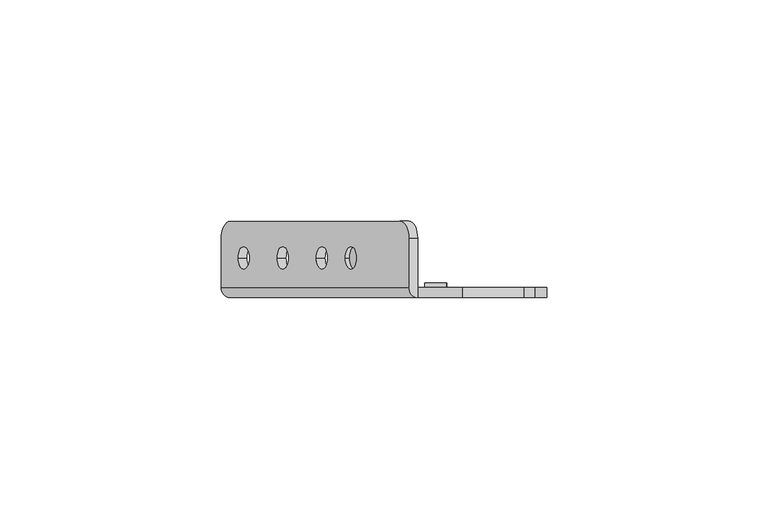
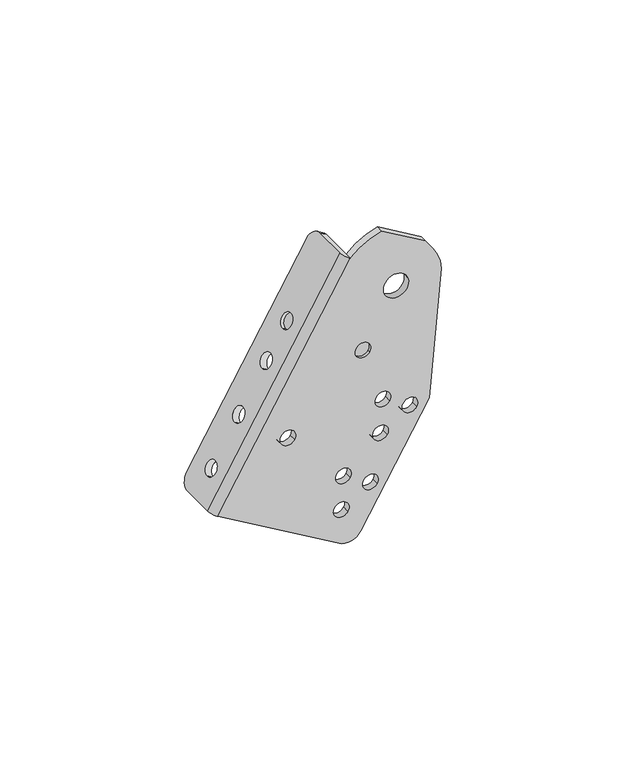
"""IFC4 building model written with IfcOpenShell, lengths in millimetres: proxy geometry."""

from ifc_helpers import new_model, si_unit, frame, origin, place, context, project, spatial, polyline, circle_curve, source, transform, mapped, element, save
from ifc_brep_helpers import plane_surface, cylinder_surface, revolved_surface, advanced_brep


def mechanical_equipment_ccd4f69e(model_context):
    return source(origin(), model_context, "Body", "AdvancedBrep", [
        advanced_brep(
        [(-39.288757, 12.2834534, -6.9451894), (-41.2899886, 16.2499985, -10.3698867), (-79.6435431, 16.2499985, -76.0041291), (-81.6614031, 12.196215, -79.4572825), (-81.6614031, 1.2499985, -79.4572825), (-39.2810827, 1.2499985, -6.9320562), (-77.8774459, 7.953236, -72.9818159), (-75.3548078, 7.953236, -68.6648381), (-69.0482125, 7.953236, -57.8723937), (-66.5255743, 7.953236, -53.555416), (-60.218979, 7.953236, -42.7629716), (-57.6963409, 7.953236, -38.4459938), (-53.6601199, 7.9499985, -31.5388294), (-51.1374818, 7.9499985, -27.2218517), (-79.6755933, 12.196215, -80.617696), (-77.6577334, 16.1957184, -77.1645426), (-39.3041788, 16.2499985, -11.5303003), (-37.3029473, 12.2834534, -8.1056029), (-37.2952729, 1.2499985, -8.0924698), (-79.6755933, 1.2499985, -80.617696), (-75.8916361, 7.953236, -74.1422294), (-73.368998, 7.953236, -69.8252516), (-67.0624027, 7.953236, -59.0328073), (-64.5397646, 7.953236, -54.7158295), (-58.2331693, 7.953236, -43.9233851), (-55.7105312, 7.953236, -39.6064074), (-49.1516721, 7.9499985, -28.3822652), (-51.6743102, 7.9499985, -32.699243), (-37.2952729, -1.0500015, -8.0924698), (-40.8227935, 1.2499985, -103.3214391), (-40.8227935, -1.0500015, -103.3214391), (-79.6755933, -1.0500015, -80.617696), (-52.7967244, 7.9499985, -32.0433571), (-50.2740863, 7.9499985, -27.7263793), (-33.9831776, -1.0500015, -101.5270995), (-12.0786718, -1.0500015, -64.0420304), (-8.1445975, -1.0500015, -21.633997), (-10.7000525, -1.0500015, -14.2038754), (-13.2035579, -1.0500015, -10.5883544), (-27.162666, -1.0500015, -2.4313102), (-18.7520701, -1.0500015, -21.4433967), (-26.4902121, -1.0500015, -23.4734603), (-59.3967581, -1.0500015, -60.6167041), (-55.0797803, -1.0500015, -63.1393422), (-28.9826359, -1.0500015, -58.1204725), (-24.6656582, -1.0500015, -60.6431106), (-20.3486804, -1.0500015, -63.1657488), (-16.0317026, -1.0500015, -65.6883869), (-29.7109344, -1.0500015, -69.2770662), (-25.3939566, -1.0500015, -71.7997043), (-41.5958265, -1.0500015, -79.7053613), (-37.2788487, -1.0500015, -82.2279994), (-32.961871, -1.0500015, -84.7506375), (-28.6448932, -1.0500015, -87.2732757), (-42.324125, -1.0500015, -90.8619549), (-38.0071472, -1.0500015, -93.384593), (-35.3747101, -1.0500015, -39.328416), (-31.0577323, -1.0500015, -41.8510541), (-27.162666, 1.2499985, -2.4313102), (-13.2035579, 1.2499985, -10.5883544), (-10.7000525, 1.2499985, -14.2038754), (-8.1445975, 1.2499985, -21.633997), (-12.0786718, 1.2499985, -64.0420304), (-33.9831776, 1.2499985, -101.5270995), (-18.7520701, 1.2499985, -21.4433967), (-26.4902121, 1.2499985, -23.4734603), (-59.3967581, 1.2499985, -60.6167041), (-55.0797803, 1.2499985, -63.1393422), (-28.9826359, 1.2499985, -58.1204725), (-24.6656582, 1.2499985, -60.6431106), (-20.3486804, 1.2499985, -63.1657488), (-16.0317026, 1.2499985, -65.6883869), (-29.7109344, 1.2499985, -69.2770662), (-25.3939566, 1.2499985, -71.7997043), (-41.5958265, 1.2499985, -79.7053613), (-37.2788487, 1.2499985, -82.2279994), (-32.961871, 1.2499985, -84.7506375), (-28.6448932, 1.2499985, -87.2732757), (-42.324125, 1.2499985, -90.8619549), (-38.0071472, 1.2499985, -93.384593), (-30.7980518, 1.2499985, -39.9553402), (-35.3747101, 1.2499985, -39.328416), (-35.6343906, 1.2499985, -41.2241299), (-31.0577323, 1.2499985, -41.8510541), (-30.7980518, -0.0500015, -39.9553402), (-35.3747101, -0.0500015, -39.328416), (-35.6343906, -0.0500015, -41.2241299), (-31.0577323, -0.0500015, -41.8510541), (-30.7980518, 2.2499985, -39.9553402), (-35.6343906, 2.2499985, -41.2241299), (-50.8109146, 7.9499985, -33.2037706), (-48.2882765, 7.9499985, -28.8867928)],
        [
            (0, 1, circle_curve(frame((-41.2899886, 12.2834534, -10.3698867), z_axis=(-0.8633955506067709, 0.0, 0.5045276238150207), x_axis=(-0.5045276238150207, 0.0, -0.8633955506067709)), 3.9665451)),
            (1, 2),
            (2, 3, circle_curve(frame((-79.6435431, 12.196215, -76.0041291), z_axis=(-0.8633955506067709, 0.0, 0.5045276238150207), x_axis=(-0.5045276238150207, 0.0, -0.8633955506067709)), 3.9995034)),
            (3, 4),
            (4, 5),
            (5, 0),
            (6, 7, circle_curve(frame((-76.6161268, 7.953236, -70.823327), z_axis=(0.8633955506067708, 0.0, -0.5045276238150208), x_axis=(0.5045276238150208, 0.0, 0.8633955506067708)), 2.5)),
            (7, 6, circle_curve(frame((-76.6161268, 7.953236, -70.823327), z_axis=(0.8633955506067708, 0.0, -0.5045276238150208), x_axis=(0.5045276238150208, 0.0, 0.8633955506067708)), 2.5)),
            (8, 9, circle_curve(frame((-67.7868934, 7.953236, -55.7139048), z_axis=(0.8633955506067708, 0.0, -0.5045276238150208), x_axis=(0.5045276238150208, 0.0, 0.8633955506067708)), 2.5)),
            (9, 8, circle_curve(frame((-67.7868934, 7.953236, -55.7139048), z_axis=(0.8633955506067708, 0.0, -0.5045276238150208), x_axis=(0.5045276238150208, 0.0, 0.8633955506067708)), 2.5)),
            (10, 11, circle_curve(frame((-58.95766, 7.953236, -40.6044827), z_axis=(0.8633955506067708, 0.0, -0.5045276238150208), x_axis=(0.5045276238150208, 0.0, 0.8633955506067708)), 2.5)),
            (11, 10, circle_curve(frame((-58.95766, 7.953236, -40.6044827), z_axis=(0.8633955506067708, 0.0, -0.5045276238150208), x_axis=(0.5045276238150208, 0.0, 0.8633955506067708)), 2.5)),
            (12, 13, circle_curve(frame((-52.3988009, 7.9499985, -29.3803406), z_axis=(0.8633955506067708, 0.0, -0.5045276238150208), x_axis=(0.5045276238150208, 0.0, 0.8633955506067708)), 2.5)),
            (13, 12, circle_curve(frame((-52.3988009, 7.9499985, -29.3803406), z_axis=(0.8633955506067708, 0.0, -0.5045276238150208), x_axis=(0.5045276238150208, 0.0, 0.8633955506067708)), 2.5)),
            (14, 15, circle_curve(frame((-77.6577334, 12.196215, -77.1645426), z_axis=(0.8633955506067709, 0.0, -0.5045276238150207), x_axis=(-0.5045276238150207, 0.0, -0.8633955506067709)), 3.9995034)),
            (15, 16),
            (16, 17, circle_curve(frame((-39.3041788, 12.2834534, -11.5303003), z_axis=(0.8633955506067709, 0.0, -0.5045276238150207), x_axis=(-0.5045276238150207, 0.0, -0.8633955506067709)), 3.9665451)),
            (17, 18),
            (18, 19),
            (19, 14),
            (20, 21, circle_curve(frame((-74.6303171, 7.953236, -71.9837405), z_axis=(-0.8633955506067708, 0.0, 0.5045276238150208), x_axis=(0.5045276238150208, 0.0, 0.8633955506067708)), 2.5)),
            (21, 20, circle_curve(frame((-74.6303171, 7.953236, -71.9837405), z_axis=(-0.8633955506067708, 0.0, 0.5045276238150208), x_axis=(0.5045276238150208, 0.0, 0.8633955506067708)), 2.5)),
            (22, 23, circle_curve(frame((-65.8010836, 7.953236, -56.8743184), z_axis=(-0.8633955506067708, 0.0, 0.5045276238150208), x_axis=(0.5045276238150208, 0.0, 0.8633955506067708)), 2.5)),
            (23, 22, circle_curve(frame((-65.8010836, 7.953236, -56.8743184), z_axis=(-0.8633955506067708, 0.0, 0.5045276238150208), x_axis=(0.5045276238150208, 0.0, 0.8633955506067708)), 2.5)),
            (24, 25, circle_curve(frame((-56.9718502, 7.953236, -41.7648962), z_axis=(-0.8633955506067708, 0.0, 0.5045276238150208), x_axis=(0.5045276238150208, 0.0, 0.8633955506067708)), 2.5)),
            (25, 24, circle_curve(frame((-56.9718502, 7.953236, -41.7648962), z_axis=(-0.8633955506067708, 0.0, 0.5045276238150208), x_axis=(0.5045276238150208, 0.0, 0.8633955506067708)), 2.5)),
            (26, 27, circle_curve(frame((-50.4129911, 7.9499985, -30.5407541), z_axis=(-0.8633955506067713, 0.0, 0.5045276238150199), x_axis=(0.5045276238150199, 0.0, 0.8633955506067713)), 2.5)),
            (27, 26, circle_curve(frame((-50.4129911, 7.9499985, -30.5407541), z_axis=(-0.8633955506067713, 0.0, 0.5045276238150199), x_axis=(0.5045276238150199, 0.0, 0.8633955506067713)), 2.5)),
            (17, 0),
            (5, 28, circle_curve(frame((-37.2952729, 1.2499985, -8.0924698), z_axis=(0.5045276238150207, 0.0, 0.8633955506067709), x_axis=(0.0, -1.0, 0.0)), 2.3)),
            (28, 18),
            (16, 1),
            (15, 2),
            (14, 3),
            (19, 29),
            (29, 30),
            (30, 31),
            (31, 4, circle_curve(frame((-79.6755933, 1.2499985, -80.617696), z_axis=(-0.5045276238150207, 0.0, -0.8633955506067709), x_axis=(0.0, -1.0, 0.0)), 2.3)),
            (6, 20),
            (21, 7),
            (8, 22),
            (23, 9),
            (10, 24),
            (25, 11),
            (12, 32),
            (32, 33, circle_curve(frame((-51.5354053, 7.9499985, -29.8848682), z_axis=(0.8633955506067708, 0.0, -0.5045276238150208), x_axis=(0.5045276238150208, 0.0, 0.8633955506067708)), 2.5)),
            (33, 13),
            (33, 32, circle_curve(frame((-51.5354053, 7.9499985, -29.8848682), z_axis=(0.8633955506067708, 0.0, -0.5045276238150208), x_axis=(0.5045276238150208, 0.0, 0.8633955506067708)), 2.5)),
            (30, 34, circle_curve(frame((-38.3001554, -1.0500015, -99.0044613), z_axis=(0.0, -1.0, 0.0), x_axis=(0.9672677527758777, 0.0, 0.2537579445848028)), 5.0)),
            (34, 35),
            (35, 36),
            (36, 37, circle_curve(frame((-22.6211411, -1.0500015, -22.4584285), z_axis=(0.0, -1.0, 0.0), x_axis=(0.9672677527758777, 0.0, 0.2537579445848028)), 14.5)),
            (37, 38),
            (38, 39),
            (39, 28, circle_curve(frame((-22.6211411, -1.0500015, -22.4584285), z_axis=(0.0, -1.0, 0.0), x_axis=(0.9672677527758777, 0.0, 0.2537579445848028)), 20.5356012)),
            (28, 31),
            (40, 41, circle_curve(frame((-22.6211411, -1.0500015, -22.4584285), z_axis=(0.0, 1.0, 0.0), x_axis=(0.9672677527758777, 0.0, 0.2537579445848028)), 4.0)),
            (41, 40, circle_curve(frame((-22.6211411, -1.0500015, -22.4584285), z_axis=(0.0, 1.0, 0.0), x_axis=(0.9672677527758777, 0.0, 0.2537579445848028)), 4.0)),
            (42, 43, circle_curve(frame((-57.2382692, -1.0500015, -61.8780231), z_axis=(0.0, 1.0, 0.0), x_axis=(0.8633955506067713, 0.0, -0.5045276238150199)), 2.5)),
            (43, 42, circle_curve(frame((-57.2382692, -1.0500015, -61.8780231), z_axis=(0.0, 1.0, 0.0), x_axis=(0.8633955506067713, 0.0, -0.5045276238150199)), 2.5)),
            (44, 45, circle_curve(frame((-26.824147, -1.0500015, -59.3817916), z_axis=(0.0, 1.0, 0.0), x_axis=(0.8633955506067713, 0.0, -0.5045276238150199)), 2.5)),
            (45, 44, circle_curve(frame((-26.824147, -1.0500015, -59.3817916), z_axis=(0.0, 1.0, 0.0), x_axis=(0.8633955506067713, 0.0, -0.5045276238150199)), 2.5)),
            (46, 47, circle_curve(frame((-18.1901915, -1.0500015, -64.4270678), z_axis=(0.0, 1.0, 0.0), x_axis=(0.8633955506067713, 0.0, -0.5045276238150199)), 2.5)),
            (47, 46, circle_curve(frame((-18.1901915, -1.0500015, -64.4270678), z_axis=(0.0, 1.0, 0.0), x_axis=(0.8633955506067713, 0.0, -0.5045276238150199)), 2.5)),
            (48, 49, circle_curve(frame((-27.5524455, -1.0500015, -70.5383852), z_axis=(0.0, 1.0, 0.0), x_axis=(0.8633955506067713, 0.0, -0.5045276238150199)), 2.5)),
            (49, 48, circle_curve(frame((-27.5524455, -1.0500015, -70.5383852), z_axis=(0.0, 1.0, 0.0), x_axis=(0.8633955506067713, 0.0, -0.5045276238150199)), 2.5)),
            (50, 51, circle_curve(frame((-39.4373376, -1.0500015, -80.9666804), z_axis=(0.0, 1.0, 0.0), x_axis=(0.8633955506067713, 0.0, -0.5045276238150199)), 2.5)),
            (51, 50, circle_curve(frame((-39.4373376, -1.0500015, -80.9666804), z_axis=(0.0, 1.0, 0.0), x_axis=(0.8633955506067713, 0.0, -0.5045276238150199)), 2.5)),
            (52, 53, circle_curve(frame((-30.8033821, -1.0500015, -86.0119566), z_axis=(0.0, 1.0, 0.0), x_axis=(0.8633955506067713, 0.0, -0.5045276238150199)), 2.5)),
            (53, 52, circle_curve(frame((-30.8033821, -1.0500015, -86.0119566), z_axis=(0.0, 1.0, 0.0), x_axis=(0.8633955506067713, 0.0, -0.5045276238150199)), 2.5)),
            (54, 55, circle_curve(frame((-40.1656361, -1.0500015, -92.123274), z_axis=(0.0, 1.0, 0.0), x_axis=(0.8633955506067713, 0.0, -0.5045276238150199)), 2.5)),
            (55, 54, circle_curve(frame((-40.1656361, -1.0500015, -92.123274), z_axis=(0.0, 1.0, 0.0), x_axis=(0.8633955506067713, 0.0, -0.5045276238150199)), 2.5)),
            (56, 57, circle_curve(frame((-33.2162212, -1.0500015, -40.5897351), z_axis=(0.0, 1.0, 0.0), x_axis=(0.8633955506067713, 0.0, -0.5045276238150199)), 2.5)),
            (57, 56, circle_curve(frame((-33.2162212, -1.0500015, -40.5897351), z_axis=(0.0, 1.0, 0.0), x_axis=(0.8633955506067713, 0.0, -0.5045276238150199)), 2.5)),
            (18, 58, circle_curve(frame((-22.6211411, 1.2499985, -22.4584285), z_axis=(0.0, 1.0, 0.0), x_axis=(0.9672677527758777, 0.0, 0.2537579445848028)), 20.5356012)),
            (58, 59),
            (59, 60),
            (60, 61, circle_curve(frame((-22.6211411, 1.2499985, -22.4584285), z_axis=(0.0, 1.0, 0.0), x_axis=(0.9672677527758777, 0.0, 0.2537579445848028)), 14.5)),
            (61, 62),
            (62, 63),
            (63, 29, circle_curve(frame((-38.3001554, 1.2499985, -99.0044613), z_axis=(0.0, 1.0, 0.0), x_axis=(0.9672677527758777, 0.0, 0.2537579445848028)), 5.0)),
            (64, 65, circle_curve(frame((-22.6211411, 1.2499985, -22.4584285), z_axis=(0.0, -1.0, 0.0), x_axis=(0.9672677527758777, 0.0, 0.2537579445848028)), 4.0)),
            (65, 64, circle_curve(frame((-22.6211411, 1.2499985, -22.4584285), z_axis=(0.0, -1.0, 0.0), x_axis=(0.9672677527758777, 0.0, 0.2537579445848028)), 4.0)),
            (66, 67, circle_curve(frame((-57.2382692, 1.2499985, -61.8780231), z_axis=(0.0, -1.0, 0.0), x_axis=(0.8633955506067713, 0.0, -0.5045276238150199)), 2.5)),
            (67, 66, circle_curve(frame((-57.2382692, 1.2499985, -61.8780231), z_axis=(0.0, -1.0, 0.0), x_axis=(0.8633955506067713, 0.0, -0.5045276238150199)), 2.5)),
            (68, 69, circle_curve(frame((-26.824147, 1.2499985, -59.3817916), z_axis=(0.0, -1.0, 0.0), x_axis=(0.8633955506067713, 0.0, -0.5045276238150199)), 2.5)),
            (69, 68, circle_curve(frame((-26.824147, 1.2499985, -59.3817916), z_axis=(0.0, -1.0, 0.0), x_axis=(0.8633955506067713, 0.0, -0.5045276238150199)), 2.5)),
            (70, 71, circle_curve(frame((-18.1901915, 1.2499985, -64.4270678), z_axis=(0.0, -1.0, 0.0), x_axis=(0.8633955506067713, 0.0, -0.5045276238150199)), 2.5)),
            (71, 70, circle_curve(frame((-18.1901915, 1.2499985, -64.4270678), z_axis=(0.0, -1.0, 0.0), x_axis=(0.8633955506067713, 0.0, -0.5045276238150199)), 2.5)),
            (72, 73, circle_curve(frame((-27.5524455, 1.2499985, -70.5383852), z_axis=(0.0, -1.0, 0.0), x_axis=(0.8633955506067713, 0.0, -0.5045276238150199)), 2.5)),
            (73, 72, circle_curve(frame((-27.5524455, 1.2499985, -70.5383852), z_axis=(0.0, -1.0, 0.0), x_axis=(0.8633955506067713, 0.0, -0.5045276238150199)), 2.5)),
            (74, 75, circle_curve(frame((-39.4373376, 1.2499985, -80.9666804), z_axis=(0.0, -1.0, 0.0), x_axis=(0.8633955506067713, 0.0, -0.5045276238150199)), 2.5)),
            (75, 74, circle_curve(frame((-39.4373376, 1.2499985, -80.9666804), z_axis=(0.0, -1.0, 0.0), x_axis=(0.8633955506067713, 0.0, -0.5045276238150199)), 2.5)),
            (76, 77, circle_curve(frame((-30.8033821, 1.2499985, -86.0119566), z_axis=(0.0, -1.0, 0.0), x_axis=(0.8633955506067713, 0.0, -0.5045276238150199)), 2.5)),
            (77, 76, circle_curve(frame((-30.8033821, 1.2499985, -86.0119566), z_axis=(0.0, -1.0, 0.0), x_axis=(0.8633955506067713, 0.0, -0.5045276238150199)), 2.5)),
            (78, 79, circle_curve(frame((-40.1656361, 1.2499985, -92.123274), z_axis=(0.0, -1.0, 0.0), x_axis=(0.8633955506067713, 0.0, -0.5045276238150199)), 2.5)),
            (79, 78, circle_curve(frame((-40.1656361, 1.2499985, -92.123274), z_axis=(0.0, -1.0, 0.0), x_axis=(0.8633955506067713, 0.0, -0.5045276238150199)), 2.5)),
            (80, 81, circle_curve(frame((-33.2162212, 1.2499985, -40.5897351), z_axis=(0.0, -1.0, 0.0), x_axis=(0.9672677527758777, 0.0, 0.2537579445848028)), 2.5)),
            (81, 82, circle_curve(frame((-33.2162212, 1.2499985, -40.5897351), z_axis=(0.0, -1.0, 0.0), x_axis=(0.9672677527758777, 0.0, 0.2537579445848028)), 2.5)),
            (82, 83, circle_curve(frame((-33.2162212, 1.2499985, -40.5897351), z_axis=(0.0, -1.0, 0.0), x_axis=(0.9672677527758777, 0.0, 0.2537579445848028)), 2.5)),
            (83, 80, circle_curve(frame((-33.2162212, 1.2499985, -40.5897351), z_axis=(0.0, -1.0, 0.0), x_axis=(0.9672677527758777, 0.0, 0.2537579445848028)), 2.5)),
            (63, 34),
            (62, 35),
            (61, 36),
            (60, 37),
            (59, 38),
            (58, 39),
            (40, 64),
            (65, 41),
            (84, 85, circle_curve(frame((-33.2162212, -0.0500015, -40.5897351), z_axis=(0.0, -1.0, 0.0), x_axis=(0.8633955506067713, 0.0, -0.5045276238150199)), 2.5)),
            (85, 86, circle_curve(frame((-33.2162212, -0.0500015, -40.5897351), z_axis=(0.0, -1.0, 0.0), x_axis=(0.8633955506067713, 0.0, -0.5045276238150199)), 2.5)),
            (86, 87, circle_curve(frame((-33.2162212, -0.0500015, -40.5897351), z_axis=(0.0, -1.0, 0.0), x_axis=(0.8633955506067713, 0.0, -0.5045276238150199)), 2.5)),
            (87, 84, circle_curve(frame((-33.2162212, -0.0500015, -40.5897351), z_axis=(0.0, -1.0, 0.0), x_axis=(0.8633955506067713, 0.0, -0.5045276238150199)), 2.5)),
            (88, 89, circle_curve(frame((-33.2162212, 2.2499985, -40.5897351), z_axis=(0.0, 1.0, 0.0), x_axis=(0.9672677527758777, 0.0, 0.2537579445848028)), 2.5)),
            (89, 88, circle_curve(frame((-33.2162212, 2.2499985, -40.5897351), z_axis=(0.0, 1.0, 0.0), x_axis=(0.9672677527758777, 0.0, 0.2537579445848028)), 2.5)),
            (89, 82),
            (80, 88),
            (90, 91, circle_curve(frame((-49.5495956, 7.9499985, -31.0452817), z_axis=(0.8633955506067713, 0.0, -0.5045276238150199), x_axis=(0.5045276238150199, 0.0, 0.8633955506067713)), 2.5)),
            (91, 90, circle_curve(frame((-49.5495956, 7.9499985, -31.0452817), z_axis=(0.8633955506067713, 0.0, -0.5045276238150199), x_axis=(0.5045276238150199, 0.0, 0.8633955506067713)), 2.5)),
            (90, 27),
            (26, 91),
            (42, 66),
            (67, 43),
            (44, 68),
            (69, 45),
            (46, 70),
            (71, 47),
            (48, 72),
            (73, 49),
            (50, 74),
            (75, 51),
            (52, 76),
            (77, 53),
            (54, 78),
            (79, 55),
            (56, 85),
            (87, 57),
        ],
        [
            plane_surface(frame((-39.2810827, -1.0593878, -6.9320562), z_axis=(-0.8633955506067708, 0.0, 0.5045276238150208), x_axis=(0.0, 1.0, 0.0))),
            plane_surface(frame((-37.2952729, -1.0593878, -8.0924698), z_axis=(0.8633955506067708, 0.0, -0.5045276238150208), x_axis=(0.0, -1.0, 0.0))),
            plane_surface(frame((-39.2810827, -1.0500015, -6.9320562), z_axis=(0.5045276238150207, 0.0, 0.8633955506067709), x_axis=(0.8633955506067709, 0.0, -0.5045276238150207))),
            cylinder_surface(frame((-39.3041788, 12.2834534, -11.5303003), z_axis=(-0.8633955506067709, 0.0, 0.5045276238150207), x_axis=(-0.5045276238150207, 0.0, -0.8633955506067709)), 3.9665451),
            plane_surface(frame((-41.2899886, 16.2499985, -10.3698867), z_axis=(0.0, 1.0, 0.0), x_axis=(0.8633955506067709, 0.0, -0.5045276238150207))),
            cylinder_surface(frame((-77.6577334, 12.196215, -77.1645426), z_axis=(-0.8633955506067709, 0.0, 0.5045276238150207), x_axis=(-0.5045276238150207, 0.0, -0.8633955506067709)), 3.9995034),
            plane_surface(frame((-81.6614031, 12.196215, -79.4572825), z_axis=(-0.5045276238150199, 0.0, -0.8633955506067713), x_axis=(0.8633955506067713, 0.0, -0.5045276238150199))),
            revolved_surface(polyline([(-73.36899798585067, 7.953236, -69.82525165539562), (-75.35480779682705, 7.953236, -68.66483809457014)]), (-74.6303171, 7.953236, -71.9837405), (0.8633955506067708, 0.0, -0.5045276238150208)),
            revolved_surface(polyline([(-64.53976454046244, 7.953236, -54.71582952348307), (-66.52557438025458, 7.953236, -53.555415945819036)]), (-65.8010836, 7.953236, -56.8743184), (0.8633955506067708, 0.0, -0.5045276238150208)),
            revolved_surface(polyline([(-55.71053114046245, 7.953236, -39.606407323483076), (-57.69634091676048, 7.953236, -38.445993782922)]), (-56.9718502, 7.953236, -41.7648962), (0.8633955506067708, 0.0, -0.5045276238150208)),
            revolved_surface(polyline([(-50.27408623970741, 7.9499985, -27.726379322190983), (-51.13748181676046, 7.9499985, -27.221851682922)]), (-50.4129911, 7.9499985, -30.5407541), (0.8633955506067708, 0.0, -0.5045276238150208)),
            plane_surface(frame((-79.6755933, -1.0500015, -80.617696), z_axis=(0.0, -1.0, 0.0), x_axis=(-0.5045276238150208, 0.0, -0.8633955506067708))),
            plane_surface(frame((-79.6755933, 1.2499985, -80.617696), z_axis=(0.0, 1.0, 0.0), x_axis=(0.5045276238150208, 0.0, 0.8633955506067708))),
            cylinder_surface(frame((-38.3001554, 1.2499985, -99.0044613), z_axis=(0.0, -1.0, 0.0), x_axis=(0.9672677527758777, 0.0, 0.2537579445848028)), 5.0),
            plane_surface(frame((-33.9831776, -1.0500015, -101.5270995), z_axis=(0.863395550606768, 0.0, -0.5045276238150257), x_axis=(0.0, 1.0, 0.0))),
            plane_surface(frame((-12.0786718, -1.0500015, -64.0420304), z_axis=(0.9957246981845822, 0.0, -0.09237058744656113), x_axis=(0.0, 1.0, 0.0))),
            cylinder_surface(frame((-22.6211411, 1.2499985, -22.4584285), z_axis=(0.0, -1.0, 0.0), x_axis=(0.9672677527758777, 0.0, 0.2537579445848028)), 14.5),
            plane_surface(frame((-10.7000525, -1.0500015, -14.2038754), z_axis=(0.8221440410307839, 0.0, 0.5692795234307773), x_axis=(0.0, 1.0, 0.0))),
            plane_surface(frame((-13.2035579, -1.0500015, -10.5883544), z_axis=(0.5045276238150175, 0.0, 0.8633955506067728), x_axis=(0.0, 1.0, 0.0))),
            cylinder_surface(frame((-22.6211411, 1.2499985, -22.4584285), z_axis=(0.0, -1.0, 0.0), x_axis=(0.9672677527758777, 0.0, 0.2537579445848028)), 20.5356012),
            revolved_surface(polyline([(-18.752070088896488, 1.2499985, -21.44339672166079), (-18.752070088896488, -1.0500014999999998, -21.44339672166079)]), (-22.6211411, 1.2499985, -22.4584285), (0.0, 1.0, 0.0)),
            plane_surface(frame((-30.7980518, -0.0500015, -39.9553402), z_axis=(0.0, -1.0000000000000002, 0.0), x_axis=(-0.2537579445848028, 0.0, 0.9672677527758776))),
            plane_surface(frame((-30.7980518, 2.2499985, -39.9553402), z_axis=(0.0, 1.0000000000000002, 0.0), x_axis=(0.2537579445848028, 0.0, -0.9672677527758776))),
            cylinder_surface(frame((-33.2162212, 2.2499985, -40.5897351), z_axis=(0.0, -1.0, 0.0), x_axis=(0.9672677527758777, 0.0, 0.2537579445848028)), 2.5),
            plane_surface(frame((-48.2882765, 7.9499985, -28.8867928), z_axis=(0.8633955506067713, 0.0, -0.5045276238150199), x_axis=(0.0, -1.0, 0.0))),
            plane_surface(frame((-50.2740863, 7.9499985, -27.7263793), z_axis=(-0.8633955506067713, 0.0, 0.5045276238150199), x_axis=(0.0, 1.0, 0.0))),
            cylinder_surface(frame((-51.5354053, 7.9499985, -29.8848682), z_axis=(0.8633955506067713, 0.0, -0.5045276238150199), x_axis=(0.5045276238150199, 0.0, 0.8633955506067713)), 2.5),
            cylinder_surface(frame((-79.6755933, 1.2499985, -80.617696), z_axis=(0.5045276238150207, 0.0, 0.8633955506067709), x_axis=(0.0, -1.0, 0.0)), 2.3),
            revolved_surface(polyline([(-55.07978032348307, 1.2499985, -63.13934215953755), (-55.07978032348307, -1.0500014999999998, -63.13934215953755)]), (-57.2382692, 1.2499985, -61.8780231), (0.0, 1.0, 0.0)),
            revolved_surface(polyline([(-24.665658123483073, 1.2499985, -60.64311065953755), (-24.665658123483073, -1.0500014999999998, -60.64311065953755)]), (-26.824147, 1.2499985, -59.3817916), (0.0, 1.0, 0.0)),
            revolved_surface(polyline([(-16.031702623483074, 1.2499985, -65.68838685953756), (-16.031702623483074, -1.0500014999999998, -65.68838685953756)]), (-18.1901915, 1.2499985, -64.4270678), (0.0, 1.0, 0.0)),
            revolved_surface(polyline([(-25.393956623483074, 1.2499985, -71.79970425953755), (-25.393956623483074, -1.0500014999999998, -71.79970425953755)]), (-27.5524455, 1.2499985, -70.5383852), (0.0, 1.0, 0.0)),
            revolved_surface(polyline([(-37.27884872348307, 1.2499985, -82.22799945953756), (-37.27884872348307, -1.0500014999999998, -82.22799945953756)]), (-39.4373376, 1.2499985, -80.9666804), (0.0, 1.0, 0.0)),
            revolved_surface(polyline([(-28.644893223483074, 1.2499985, -87.27327565953756), (-28.644893223483074, -1.0500014999999998, -87.27327565953756)]), (-30.8033821, 1.2499985, -86.0119566), (0.0, 1.0, 0.0)),
            revolved_surface(polyline([(-38.007147223483074, 1.2499985, -93.38459305953755), (-38.007147223483074, -1.0500014999999998, -93.38459305953755)]), (-40.1656361, 1.2499985, -92.123274), (0.0, 1.0, 0.0)),
            revolved_surface(polyline([(-31.057732323483073, -0.05000150000000003, -41.85105415953755), (-31.057732323483073, -1.0500014999999998, -41.85105415953755)]), (-33.2162212, 1.2499985, -40.5897351), (0.0, 1.0, 0.0)),
        ],
        [
            (0, [[1, 2, 3, 4, 5, 6], [7, 8], [9, 10], [11, 12], [13, 14]]),
            (1, [[15, 16, 17, 18, 19, 20], [21, 22], [23, 24], [25, 26], [27, 28]]),
            (2, [[29, -6, 30, 31, -18]]),
            (3, [[-1, -29, -17, 32]]),
            (4, [[-2, -32, -16, 33]]),
            (5, [[-3, -33, -15, 34]]),
            (6, [[-34, -20, 35, 36, 37, 38, -4]]),
            (7, [[-7, 39, -22, 40]]),
            (7, [[-8, -40, -21, -39]]),
            (8, [[-9, 41, -24, 42]]),
            (8, [[-10, -42, -23, -41]]),
            (9, [[-11, 43, -26, 44]]),
            (9, [[-12, -44, -25, -43]]),
            (10, [[-13, 45, 46, 47]]),
            (10, [[-14, -47, 48, -45]]),
            (11, [[-37, 49, 50, 51, 52, 53, 54, 55, 56], [57, 58], [59, 60], [61, 62], [63, 64], [65, 66], [67, 68], [69, 70], [71, 72], [73, 74]]),
            (12, [[75, 76, 77, 78, 79, 80, 81, -35, -19], [82, 83], [84, 85], [86, 87], [88, 89], [90, 91], [92, 93], [94, 95], [96, 97], [98, 99, 100, 101]]),
            (13, [[-49, -36, -81, 102]]),
            (14, [[-50, -102, -80, 103]]),
            (15, [[-51, -103, -79, 104]]),
            (16, [[-52, -104, -78, 105]]),
            (17, [[-53, -105, -77, 106]]),
            (18, [[-54, -106, -76, 107]]),
            (19, [[-55, -107, -75, -31]]),
            (20, [[-57, 108, -83, 109]]),
            (20, [[-58, -109, -82, -108]]),
            (21, [[110, 111, 112, 113]]),
            (22, [[114, 115]]),
            (23, [[-115, 116, -99, -98, 117]]),
            (23, [[-114, -117, -101, -100, -116]]),
            (24, [[118, 119]]),
            (25, [[-46, -48]]),
            (26, [[-118, 120, -27, 121]]),
            (26, [[-119, -121, -28, -120]]),
            (27, [[-5, -38, -56, -30]]),
            (28, [[-59, 122, -85, 123]]),
            (28, [[-60, -123, -84, -122]]),
            (29, [[-61, 124, -87, 125]]),
            (29, [[-62, -125, -86, -124]]),
            (30, [[-63, 126, -89, 127]]),
            (30, [[-64, -127, -88, -126]]),
            (31, [[-65, 128, -91, 129]]),
            (31, [[-66, -129, -90, -128]]),
            (32, [[-67, 130, -93, 131]]),
            (32, [[-68, -131, -92, -130]]),
            (33, [[-69, 132, -95, 133]]),
            (33, [[-70, -133, -94, -132]]),
            (34, [[-71, 134, -97, 135]]),
            (34, [[-72, -135, -96, -134]]),
            (35, [[-73, 136, -110, -113, 137]]),
            (35, [[-74, -137, -112, -111, -136]]),
        ],
    ),
    ])


if __name__ == "__main__":
    model = new_model("IFC4")
    model_context = context("Model", 3, world=origin())
    ifc_project = project(units=[si_unit("LENGTHUNIT", "METRE", prefix="MILLI")], contexts=[model_context])
    site = spatial("IfcSite", under=ifc_project)
    building = spatial("IfcBuilding", under=site)
    placement = place(None, origin())
    mechanical_equipment_shape = mechanical_equipment_ccd4f69e(model_context)
    element("IfcBuildingElementProxy", 1, Name="Mechanical Equipment", at=placement, inside=building, context=model_context, shape_type="MappedRepresentation", body=[
        mapped(mechanical_equipment_shape, transform((0.0, 0.0, 0.0), x_axis=(1.0, 0.0, 0.0), y_axis=(0.0, 1.0, 0.0), z_axis=(0.0, 0.0, 1.0))),
    ])
    save(model, "model.ifc")
